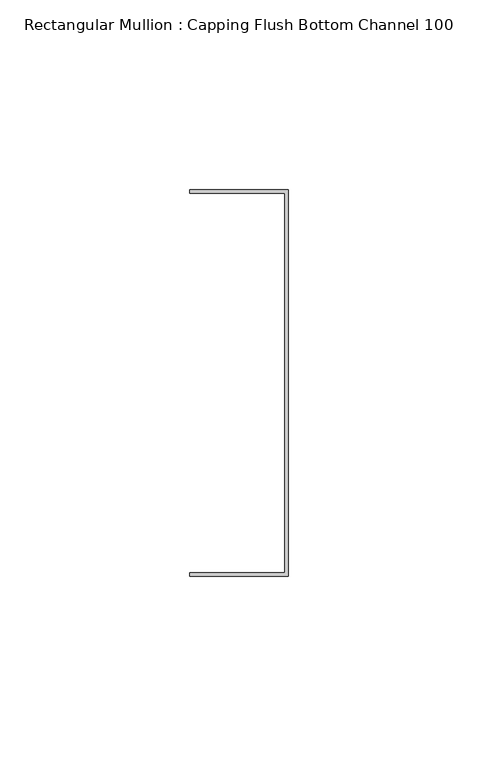
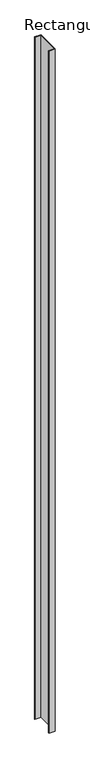
"""IFC4 building model written with IfcOpenShell, lengths in millimetres: member geometry, Rectangular Mullion : Capping Flush Bottom Channel 100."""

from ifc_helpers import new_model, si_unit, frame, origin, place, context, project, spatial, polyline, outline, extrude, source, transform, mapped, element, save


def rectangular_mullion_capping_flush_bottom_channel_100_e4f43eef(model_context):
    return source(origin(), model_context, "Body", "SweptSolid", [
        extrude(outline(polyline([(-0.95, 50.0), (-25.95, 50.0), (-25.95, 50.95), (0.0, 50.95), (0.0, -50.95), (-25.95, -50.95), (-25.95, -50.0), (-0.95, -50.0), (-0.95, 50.0)])), frame((0.0, 0.0, -3000.0), z_axis=(0.0, 0.0, 1.0), x_axis=(1.0, 0.0, 0.0)), (0.0, 0.0, 1.0), 3000.0),
    ])


if __name__ == "__main__":
    model = new_model("IFC4")
    model_context = context("Model", 3, world=origin())
    ifc_project = project(units=[si_unit("LENGTHUNIT", "METRE", prefix="MILLI")], contexts=[model_context])
    site = spatial("IfcSite", under=ifc_project)
    building = spatial("IfcBuilding", under=site)
    placement = place(None, origin())
    rectangular_mullion_capping_flush_bottom_channel_100_shape = rectangular_mullion_capping_flush_bottom_channel_100_e4f43eef(model_context)
    element("IfcMember", 1, ObjectType="Rectangular Mullion : Capping Flush Bottom Channel 100", at=placement, inside=building, context=model_context, shape_type="MappedRepresentation", body=[
        mapped(rectangular_mullion_capping_flush_bottom_channel_100_shape, transform((0.0, 0.0, 0.0), x_axis=(1.0, 0.0, 0.0), y_axis=(0.0, 1.0, 0.0), z_axis=(0.0, 0.0, 1.0))),
    ])
    save(model, "model.ifc")
